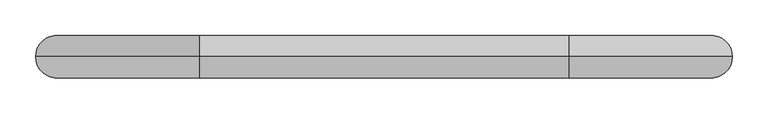
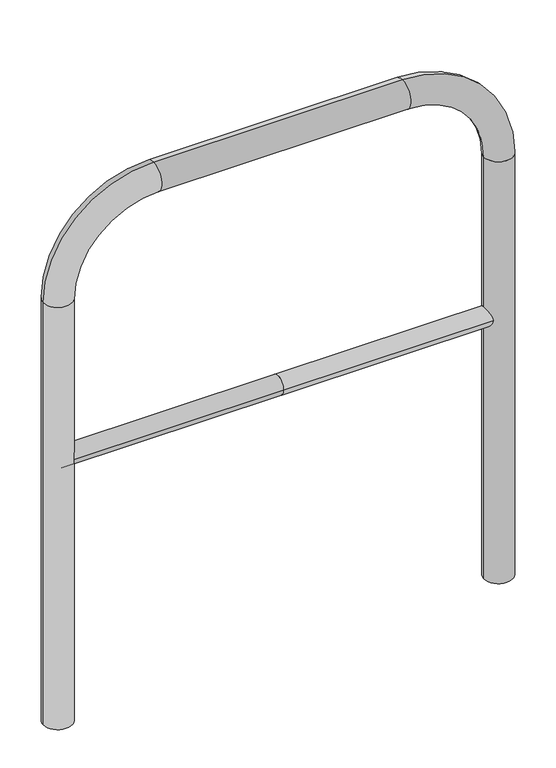
"""IFC4 building model written with IfcOpenShell, lengths in millimetres: proxy geometry."""

from ifc_helpers import new_model, si_unit, point, frame, frame_2d, origin, place, context, project, spatial, circle_curve, ellipse_curve, trimmed, segment, composite_curve, outline, extrude, source, transform, mapped, element, save
from ifc_brep_helpers import plane_surface, cylinder_surface, revolved_surface, advanced_brep


def generic_models_88c631b7(model_context):
    return source(origin(), model_context, "Body", "SolidModel", [
        extrude(outline(composite_curve([segment(trimmed(circle_curve(frame_2d((0.0, 498.4778375)), 20.0), [point((-20.0, 498.4778375))], [point((20.0, 498.4778375))], False, "CARTESIAN"), True, "CONTINUOUS"), segment(trimmed(circle_curve(frame_2d((0.0, 498.4778375)), 20.0), [point((20.0, 498.4778375))], [point((-20.0, 498.4778375))], False, "CARTESIAN"), True, "CONTINUOUS")], self_intersect=False)), frame((-459.4240425, 0.0, 0.0), z_axis=(1.0, 0.0, 0.0), x_axis=(0.0, 1.0, 0.0)), (0.0, 0.0, 1.0), 459.4240425),
        extrude(outline(composite_curve([segment(trimmed(circle_curve(frame_2d((0.0, 498.4778375)), 20.0), [point((-20.0, 498.4778375))], [point((20.0, 498.4778375))], False, "CARTESIAN"), True, "CONTINUOUS"), segment(trimmed(circle_curve(frame_2d((0.0, 498.4778375)), 20.0), [point((20.0, 498.4778375))], [point((-20.0, 498.4778375))], False, "CARTESIAN"), True, "CONTINUOUS")], self_intersect=False)), frame((0.0, 0.0, 0.0), z_axis=(1.0, 0.0, 0.0), x_axis=(0.0, 1.0, 0.0)), (0.0, 0.0, 1.0), 459.4240425),
        advanced_brep(
        [(-429.4240425, 0.0, -80.0), (-489.4240425, 0.0, -80.0), (-429.4240425, 0.0, 850.0), (-489.4240425, 0.0, 850.0), (-259.4240425, 0.0, 1080.0), (-259.4240425, 0.0, 1020.0), (259.4240425, 0.0, 1020.0), (259.4240425, 0.0, 1080.0), (489.4240425, 0.0, 850.0), (429.4240425, 0.0, 850.0), (429.4240425, 0.0, -80.0), (489.4240425, 0.0, -80.0)],
        [
            (0, 1, circle_curve(frame((-459.4240425, 0.0, -80.0), z_axis=(0.0, 0.0, -1.0), x_axis=(-1.0, 0.0, 0.0)), 30.0)),
            (1, 0, circle_curve(frame((-459.4240425, 0.0, -80.0), z_axis=(0.0, 0.0, -1.0), x_axis=(-1.0, 0.0, 0.0)), 30.0)),
            (0, 2),
            (2, 3, circle_curve(frame((-459.4240425, 0.0, 850.0), z_axis=(0.0, 0.0, -1.0), x_axis=(-1.0, 0.0, 0.0)), 30.0)),
            (3, 1),
            (3, 2, circle_curve(frame((-459.4240425, 0.0, 850.0), z_axis=(0.0, 0.0, -1.0), x_axis=(-1.0, 0.0, 0.0)), 30.0)),
            (4, 3, circle_curve(frame((-259.4240425, 0.0, 850.0), z_axis=(0.0, -1.0, 0.0), x_axis=(-1.0, 0.0, 0.0)), 230.0)),
            (2, 5, circle_curve(frame((-259.4240425, 0.0, 850.0), z_axis=(0.0, 1.0, 0.0), x_axis=(-1.0, 0.0, 0.0)), 170.0)),
            (5, 4, circle_curve(frame((-259.4240425, 0.0, 1050.0), z_axis=(-1.0, 0.0, 0.0), x_axis=(0.0, 0.0, 1.0)), 30.0)),
            (4, 5, circle_curve(frame((-259.4240425, 0.0, 1050.0), z_axis=(-1.0, 0.0, 0.0), x_axis=(0.0, 0.0, 1.0)), 30.0)),
            (5, 6),
            (6, 7, circle_curve(frame((259.4240425, 0.0, 1050.0), z_axis=(-1.0, 0.0, 0.0), x_axis=(0.0, 0.0, 1.0)), 30.0)),
            (7, 4),
            (7, 6, circle_curve(frame((259.4240425, 0.0, 1050.0), z_axis=(-1.0, 0.0, 0.0), x_axis=(0.0, 0.0, 1.0)), 30.0)),
            (8, 7, circle_curve(frame((259.4240425, 0.0, 850.0), z_axis=(0.0, -1.0, 0.0), x_axis=(0.0, 0.0, 1.0)), 230.0)),
            (6, 9, circle_curve(frame((259.4240425, 0.0, 850.0), z_axis=(0.0, 1.0, 0.0), x_axis=(0.0, 0.0, 1.0)), 170.0)),
            (9, 8, circle_curve(frame((459.4240425, 0.0, 850.0), z_axis=(0.0, 0.0, 1.0), x_axis=(1.0, 0.0, 0.0)), 30.0)),
            (8, 9, circle_curve(frame((459.4240425, 0.0, 850.0), z_axis=(0.0, 0.0, 1.0), x_axis=(1.0, 0.0, 0.0)), 30.0)),
            (10, 11, circle_curve(frame((459.4240425, 0.0, -80.0), z_axis=(0.0, 0.0, -1.0), x_axis=(1.0, 0.0, 0.0)), 30.0)),
            (11, 10, circle_curve(frame((459.4240425, 0.0, -80.0), z_axis=(0.0, 0.0, -1.0), x_axis=(1.0, 0.0, 0.0)), 30.0)),
            (9, 10),
            (11, 8),
        ],
        [
            plane_surface(frame((-459.4240425, 0.0, -80.0), z_axis=(0.0, 0.0, -1.0), x_axis=(0.0, -1.0, 0.0))),
            cylinder_surface(frame((-459.4240425, 0.0, -80.0), z_axis=(0.0, 0.0, -1.0), x_axis=(-1.0, 0.0, 0.0)), 30.0),
            revolved_surface(trimmed(ellipse_curve(frame((-459.4240425, 0.0, 850.0), z_axis=(0.0, 0.0, -1.0), x_axis=(-1.0, 0.0, 0.0)), 30.0, 30.0), [point((-429.4240425, 0.0, 850.0))], [point((-489.4240425, 0.0, 850.0))], True, "CARTESIAN"), (-259.4240425, 0.0, 850.0), (0.0, 1.0, 0.0)),
            revolved_surface(trimmed(ellipse_curve(frame((-459.4240425, 0.0, 850.0), z_axis=(0.0, 0.0, -1.0), x_axis=(-1.0, 0.0, 0.0)), 30.0, 30.0), [point((-489.4240425, 0.0, 850.0))], [point((-429.4240425, 0.0, 850.0))], True, "CARTESIAN"), (-259.4240425, 0.0, 850.0), (0.0, 1.0, 0.0)),
            cylinder_surface(frame((-259.4240425, 0.0, 1050.0), z_axis=(-1.0, 0.0, 0.0), x_axis=(0.0, 0.0, 1.0)), 30.0),
            revolved_surface(trimmed(ellipse_curve(frame((259.4240425, 0.0, 1050.0), z_axis=(-1.0, 0.0, 0.0), x_axis=(0.0, 0.0, 1.0)), 30.0, 30.0), [point((259.4240425, 0.0, 1020.0))], [point((259.4240425, 0.0, 1080.0))], True, "CARTESIAN"), (259.4240425, 0.0, 850.0), (0.0, 1.0, 0.0)),
            revolved_surface(trimmed(ellipse_curve(frame((259.4240425, 0.0, 1050.0), z_axis=(-1.0, 0.0, 0.0), x_axis=(0.0, 0.0, 1.0)), 30.0, 30.0), [point((259.4240425, 0.0, 1080.0))], [point((259.4240425, 0.0, 1020.0))], True, "CARTESIAN"), (259.4240425, 0.0, 850.0), (0.0, 1.0, 0.0)),
            plane_surface(frame((459.4240425, 0.0, -80.0), z_axis=(0.0, 0.0, -1.0), x_axis=(0.0, -1.0, 0.0))),
            cylinder_surface(frame((459.4240425, 0.0, 850.0), z_axis=(0.0, 0.0, 1.0), x_axis=(1.0, 0.0, 0.0)), 30.0),
        ],
        [
            (0, [[1, 2]]),
            (1, [[-1, 3, 4, 5]]),
            (1, [[-2, -5, 6, -3]]),
            (2, [[7, -4, 8, 9]]),
            (3, [[-8, -6, -7, 10]]),
            (4, [[-9, 11, 12, 13]]),
            (4, [[-10, -13, 14, -11]]),
            (5, [[15, -12, 16, 17]]),
            (6, [[-16, -14, -15, 18]]),
            (7, [[19, 20]]),
            (8, [[-17, 21, -20, 22]]),
            (8, [[-18, -22, -19, -21]]),
        ],
    ),
    ])


if __name__ == "__main__":
    model = new_model("IFC4")
    model_context = context("Model", 3, world=origin())
    ifc_project = project(units=[si_unit("LENGTHUNIT", "METRE", prefix="MILLI")], contexts=[model_context])
    site = spatial("IfcSite", under=ifc_project)
    building = spatial("IfcBuilding", under=site)
    placement = place(None, origin())
    generic_models_shape = generic_models_88c631b7(model_context)
    element("IfcBuildingElementProxy", 1, Name="Generic Models", at=placement, inside=building, context=model_context, shape_type="MappedRepresentation", body=[
        mapped(generic_models_shape, transform((0.0, 0.0, 0.0), x_axis=(1.0, 0.0, 0.0), y_axis=(0.0, 1.0, 0.0), z_axis=(0.0, 0.0, 1.0))),
    ])
    save(model, "model.ifc")
